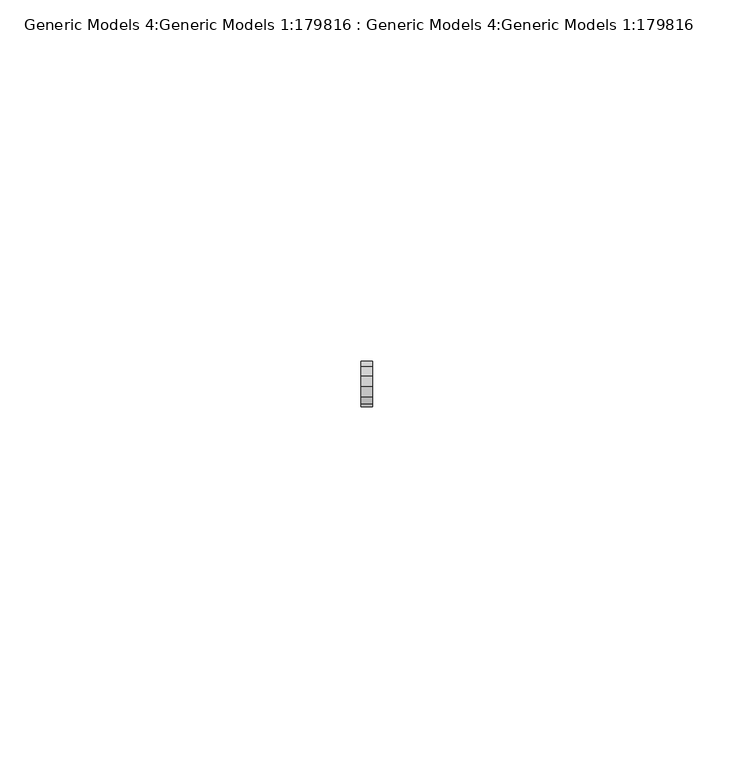
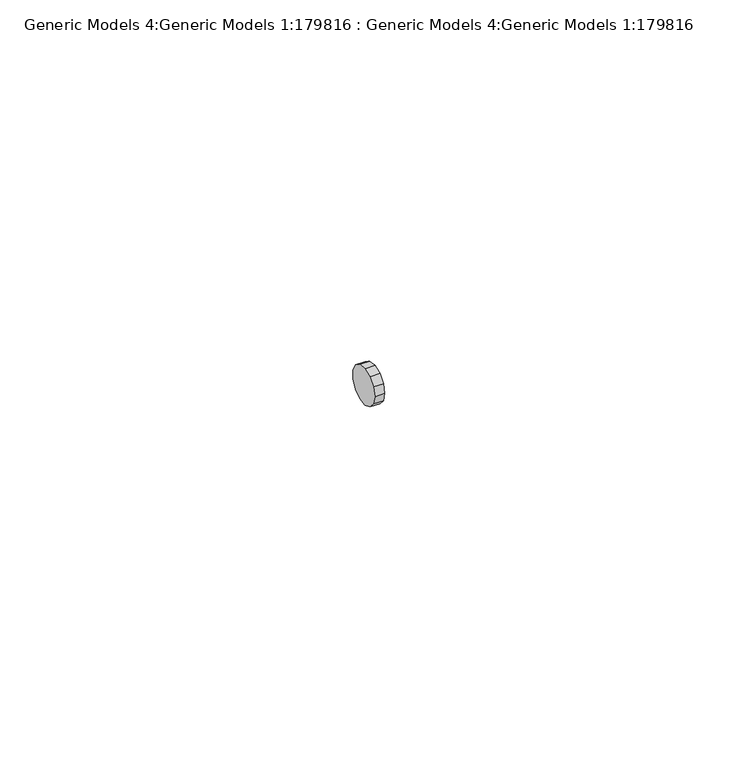
"""IFC4 building model written with IfcOpenShell, lengths in millimetres: proxy geometry, Generic Models 4:Generic Models 1:179816 : Generic Models 4:Generic Models 1:179816."""

from ifc_helpers import new_model, si_unit, frame, origin, place, context, project, spatial, polyline, outline, extrude, source, transform, mapped, element, save


def generic_models_4_generic_models_1_179816_generic_models_4_e42601db(model_context):
    return source(origin(), model_context, "Body", "SweptSolid", [
        extrude(outline(polyline([(-24347.8069305, 5709.0759277), (-24348.5126495, 5707.7302933), (-24349.7638702, 5706.8667412), (-24351.272583, 5706.6836357), (-24352.6935577, 5707.2224617), (-24353.7006378, 5708.3601952), (-24354.0649414, 5709.8355293), (-24353.7006378, 5711.3108635), (-24352.6935577, 5712.448597), (-24351.272583, 5712.9874229), (-24349.7638702, 5712.8043175), (-24348.5126495, 5711.9407654), (-24347.8069305, 5710.5951309), (-24347.8069305, 5709.0759277)])), frame((37834.5298767, 0.0, 0.0), z_axis=(1.0, 0.0, 0.0), x_axis=(0.0, 1.0, 0.0)), (0.0, 0.0, 1.0), 1.5869141),
    ])


if __name__ == "__main__":
    model = new_model("IFC4")
    model_context = context("Model", 3, world=origin())
    ifc_project = project(units=[si_unit("LENGTHUNIT", "METRE", prefix="MILLI")], contexts=[model_context])
    site = spatial("IfcSite", under=ifc_project)
    building = spatial("IfcBuilding", under=site)
    placement = place(None, origin())
    generic_models_4_generic_models_1_179816_generic_models_4_shape = generic_models_4_generic_models_1_179816_generic_models_4_e42601db(model_context)
    element("IfcBuildingElementProxy", 1, Name="Generic Models 4:Generic Models 1:179816 : Generic Models 4:Generic Models 1:179816", ObjectType="Generic Models 4:Generic Models 1:179816 : Generic Models 4:Generic Models 1:179816", at=placement, inside=building, context=model_context, shape_type="MappedRepresentation", body=[
        mapped(generic_models_4_generic_models_1_179816_generic_models_4_shape, transform((0.0, 0.0, 0.0), x_axis=(1.0, 0.0, 0.0), y_axis=(0.0, 1.0, 0.0), z_axis=(0.0, 0.0, 1.0))),
    ])
    save(model, "model.ifc")
